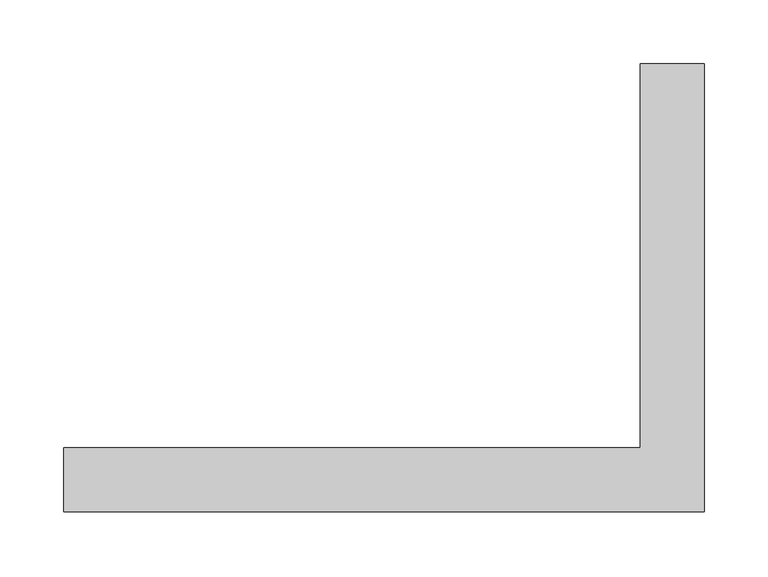
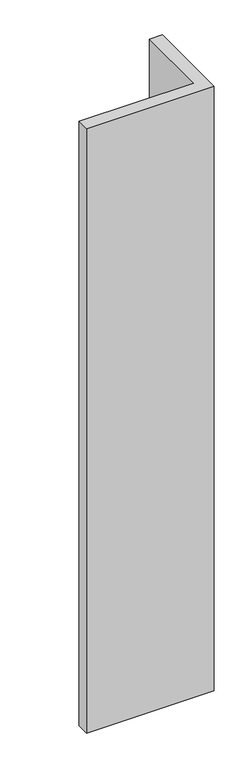
"""IFC4 building model written with IfcOpenShell, lengths in millimetres: proxy geometry."""

import ifcopenshell
import ifcopenshell.guid

model = None  # the IFC model being written
_history = None  # IfcOwnerHistory: only IFC2X3 demands one
_inside = {}  # id of a spatial element -> (the spatial element, [elements in it])
_under = {}  # id of a project, library or spatial element -> (it, [spatial elements below it])
_declared = {}  # id of a project -> (the project, [libraries it declares])
_typed = {}  # id of a type object -> (the type object, [elements of that type])
_made_of = {}  # id of a material, layer set ... -> (it, [elements and type objects made of it])


def new_model(schema):
    """Start an empty IFC model of exactly this schema.

    Asked for "IFC4X3", IfcOpenShell would pick the latest addendum, in which some entities
    have other attributes; the version numbers below select the first issue.
    IFC2X3 requires an IfcOwnerHistory on every rooted entity: one is made here for all.
    """
    global model, _history
    if schema == "IFC4X3":
        model = ifcopenshell.file(schema_version=(4, 3, 0, 0))
    else:
        model = ifcopenshell.file(schema=schema)
    _inside.clear()
    _under.clear()
    _declared.clear()
    _typed.clear()
    _made_of.clear()
    _history = None
    if model.schema == "IFC2X3":
        org = make("IfcOrganization", Name="unknown")
        user = make(
            "IfcPersonAndOrganization",
            ThePerson=make("IfcPerson", FamilyName="unknown"),
            TheOrganization=org,
        )
        app = make(
            "IfcApplication",
            ApplicationDeveloper=org,
            Version="unknown",
            ApplicationFullName="unknown",
            ApplicationIdentifier="unknown",
        )
        _history = make(
            "IfcOwnerHistory",
            OwningUser=user,
            OwningApplication=app,
            ChangeAction="ADDED",
            CreationDate=0,
        )
    return model


def make(cls, **values):
    """One entity of the class cls with the attributes given. An attribute that is None is left unset."""
    return model.create_entity(
        cls, **{name: value for name, value in values.items() if value is not None}
    )


def rooted(cls, **values):
    """An entity with a GlobalId (a new one), such as an element, a storey or a relation."""
    return make(cls, GlobalId=ifcopenshell.guid.new(), OwnerHistory=_history, **values)


def si_unit(unit_type, name, prefix=None):
    """IfcSIUnit, for example si_unit("LENGTHUNIT", "METRE", prefix="MILLI")."""
    return make("IfcSIUnit", UnitType=unit_type, Prefix=prefix, Name=name)


def assignment(units):
    """IfcUnitAssignment: the units of a project."""
    return None if units is None else make("IfcUnitAssignment", Units=units)


def point(xyz):
    """IfcCartesianPoint."""
    return None if xyz is None else make("IfcCartesianPoint", Coordinates=xyz)


def direction(xyz):
    """IfcDirection."""
    return None if xyz is None else make("IfcDirection", DirectionRatios=xyz)


def frame(location, z_axis=None, x_axis=None):
    """IfcAxis2Placement3D, a coordinate frame: its origin and axes. An axis left out is left unset."""
    return make(
        "IfcAxis2Placement3D",
        Location=point(location),
        Axis=direction(z_axis),
        RefDirection=direction(x_axis),
    )


def origin():
    """The frame at (0, 0, 0) with its axes left unset."""
    return frame((0.0, 0.0, 0.0))


def origin_with_axes():
    """The frame at (0, 0, 0) with the z axis (0, 0, 1) and the x axis (1, 0, 0) written out."""
    return frame((0.0, 0.0, 0.0), z_axis=(0.0, 0.0, 1.0), x_axis=(1.0, 0.0, 0.0))


def place(relative_to, where):
    """IfcLocalPlacement: puts the frame where relative to a parent placement (None: the world)."""
    return make(
        "IfcLocalPlacement", PlacementRelTo=relative_to, RelativePlacement=where
    )


def context(
    kind, dimensions, precision=None, world=None, true_north=None, identifier=None
):
    """IfcGeometricRepresentationContext, for example the 3D "Model" context."""
    return make(
        "IfcGeometricRepresentationContext",
        ContextIdentifier=identifier,
        ContextType=kind,
        CoordinateSpaceDimension=dimensions,
        Precision=precision,
        WorldCoordinateSystem=world,
        TrueNorth=true_north,
    )


def project(units=None, contexts=None):
    """IfcProject with its units and contexts."""
    return rooted(
        "IfcProject",
        Name="project",
        RepresentationContexts=contexts,
        UnitsInContext=assignment(units),
    )


def spatial(cls, under=None, at=None, **own):
    """A site, building, storey or space (cls), placed at a placement, below another one or the project."""
    s = rooted(cls, ObjectPlacement=at, **own)
    if under is not None:
        _under.setdefault(under.id(), (under, []))[1].append(s)
    return s


def polyline(points):
    """IfcPolyline through the points."""
    return make("IfcPolyline", Points=[point(p) for p in points])


def outline(outer, holes=None, kind="AREA"):
    """IfcArbitraryClosedProfileDef: a profile drawn as a closed curve; with holes, ...WithVoids."""
    if holes is None:
        return make("IfcArbitraryClosedProfileDef", ProfileType=kind, OuterCurve=outer)
    return make(
        "IfcArbitraryProfileDefWithVoids",
        ProfileType=kind,
        OuterCurve=outer,
        InnerCurves=holes,
    )


def extrude(swept, where, along, depth):
    """IfcExtrudedAreaSolid: the profile swept, set in the frame where, extruded along a direction by depth."""
    return make(
        "IfcExtrudedAreaSolid",
        SweptArea=swept,
        Position=where,
        ExtrudedDirection=direction(along),
        Depth=depth,
    )


def shape(context_of_items, identifier, shape_type, items):
    """IfcShapeRepresentation: the items that make up one representation, for example the "Body"."""
    return make(
        "IfcShapeRepresentation",
        ContextOfItems=context_of_items,
        RepresentationIdentifier=identifier,
        RepresentationType=shape_type,
        Items=items,
    )


def source(mapping_origin, context_of_items, identifier, shape_type, items):
    """IfcRepresentationMap: a shape defined once, which mapped items show again and again."""
    return make(
        "IfcRepresentationMap",
        MappingOrigin=mapping_origin,
        MappedRepresentation=shape(context_of_items, identifier, shape_type, items),
    )


def transform(
    local_origin,
    x_axis=None,
    y_axis=None,
    z_axis=None,
    scale=None,
    scale2=None,
    scale3=None,
    uniform=True,
):
    """IfcCartesianTransformationOperator3D, or its non-uniform kind. x_axis, y_axis, z_axis: its Axis1, 2, 3."""
    if uniform:
        return make(
            "IfcCartesianTransformationOperator3D",
            Axis1=direction(x_axis),
            Axis2=direction(y_axis),
            LocalOrigin=point(local_origin),
            Scale=scale,
            Axis3=direction(z_axis),
        )
    return make(
        "IfcCartesianTransformationOperator3DnonUniform",
        Axis1=direction(x_axis),
        Axis2=direction(y_axis),
        LocalOrigin=point(local_origin),
        Scale=scale,
        Axis3=direction(z_axis),
        Scale2=scale2,
        Scale3=scale3,
    )


def mapped(mapping_source, mapping_target):
    """IfcMappedItem: shows the shape of a source again, moved by a transform."""
    return make(
        "IfcMappedItem", MappingSource=mapping_source, MappingTarget=mapping_target
    )


def made_of(thing, what):
    """Note that an element or type object is made of a material, layer set ...; save() writes the relation."""
    if what is not None:
        _made_of.setdefault(what.id(), (what, []))[1].append(thing)
    return thing


def element(
    cls,
    number,
    at=None,
    inside=None,
    cuts=None,
    type_object=None,
    material=None,
    context=None,
    identifier="Body",
    shape_type=None,
    held_by="IfcProductDefinitionShape",
    body=None,
    shapes=None,
    **own,
):
    """One element of the class cls, such as IfcWall. Its Tag is "e" and its number.

    at: its placement. inside: the storey or other place that contains it. cuts: it is an
    opening in that element (IfcRelVoidsElement). A single representation is given by context,
    identifier, shape_type and body (its items); several are given by shapes. held_by: the class
    of the entity that holds the representations. save() writes the other relations.
    """
    e = rooted(cls, Tag="e%d" % number, ObjectPlacement=at, **own)
    if body is not None:
        shapes = [shape(context, identifier, shape_type, body)]
    if shapes is not None:
        e.Representation = make(held_by, Representations=shapes)
    if inside is not None:
        _inside.setdefault(inside.id(), (inside, []))[1].append(e)
    if cuts is not None:
        rooted(
            "IfcRelVoidsElement", RelatingBuildingElement=cuts, RelatedOpeningElement=e
        )
    if type_object is not None:
        _typed.setdefault(type_object.id(), (type_object, []))[1].append(e)
    return made_of(e, material)


def aggregate(whole, parts):
    """IfcRelAggregates: a whole, such as a stair, and the parts it consists of."""
    return rooted("IfcRelAggregates", RelatingObject=whole, RelatedObjects=parts)


def save(model, path):
    """Write the relations noted so far, then the file.

    IfcRelAggregates (storeys below a building ...), IfcRelContainedInSpatialStructure (elements
    in a storey), IfcRelDefinesByType, IfcRelAssociatesMaterial and IfcRelDeclares: one each for
    every whole, place, type object, material and project.
    """
    for whole, parts in _under.values():
        aggregate(whole, parts)
    for where, things in _inside.values():
        rooted(
            "IfcRelContainedInSpatialStructure",
            RelatedElements=things,
            RelatingStructure=where,
        )
    for kind, things in _typed.values():
        rooted("IfcRelDefinesByType", RelatedObjects=things, RelatingType=kind)
    for what, things in _made_of.values():
        rooted("IfcRelAssociatesMaterial", RelatedObjects=things, RelatingMaterial=what)
    for by, libraries in _declared.values():
        rooted("IfcRelDeclares", RelatingContext=by, RelatedDefinitions=libraries)
    model.write(path)


def generic_models_6be9e4d9(model_context):
    return source(origin(), model_context, "Body", "SweptSolid", [
        extrude(outline(polyline([(250.0104098, -174.9999986), (-250.010422, -175.0000025), (-250.0104206, -124.9999849), (200.0103687, -124.9999972), (200.0103803, 175.0000022), (250.0104224, 175.0000025), (250.0104098, -174.9999986)])), origin_with_axes(), (0.0, 0.0, 1.0), 2500.0),
    ])


if __name__ == "__main__":
    model = new_model("IFC4")
    model_context = context("Model", 3, world=origin())
    ifc_project = project(units=[si_unit("LENGTHUNIT", "METRE", prefix="MILLI")], contexts=[model_context])
    site = spatial("IfcSite", under=ifc_project)
    building = spatial("IfcBuilding", under=site)
    placement = place(None, origin())
    generic_models_shape = generic_models_6be9e4d9(model_context)
    element("IfcBuildingElementProxy", 1, Name="Generic Models", at=placement, inside=building, context=model_context, shape_type="MappedRepresentation", body=[
        mapped(generic_models_shape, transform((0.0, 0.0, 0.0), x_axis=(1.0, 0.0, 0.0), y_axis=(0.0, 1.0, 0.0), z_axis=(0.0, 0.0, 1.0))),
    ])
    save(model, "model.ifc")
